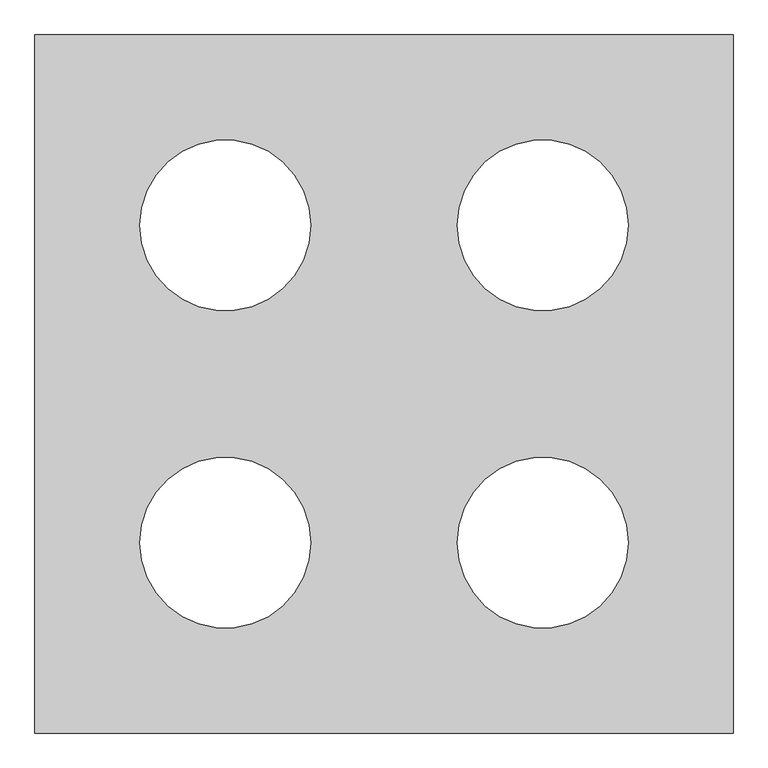
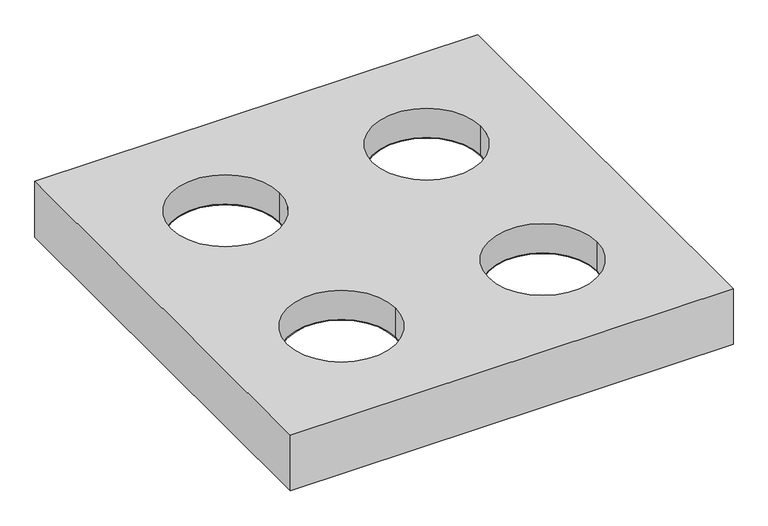
"""IFC4 building model written with IfcOpenShell, lengths in millimetres: proxy geometry."""

import ifcopenshell
import ifcopenshell.guid

model = None  # the IFC model being written
_history = None  # IfcOwnerHistory: only IFC2X3 demands one
_inside = {}  # id of a spatial element -> (the spatial element, [elements in it])
_under = {}  # id of a project, library or spatial element -> (it, [spatial elements below it])
_declared = {}  # id of a project -> (the project, [libraries it declares])
_typed = {}  # id of a type object -> (the type object, [elements of that type])
_made_of = {}  # id of a material, layer set ... -> (it, [elements and type objects made of it])


def new_model(schema):
    """Start an empty IFC model of exactly this schema.

    Asked for "IFC4X3", IfcOpenShell would pick the latest addendum, in which some entities
    have other attributes; the version numbers below select the first issue.
    IFC2X3 requires an IfcOwnerHistory on every rooted entity: one is made here for all.
    """
    global model, _history
    if schema == "IFC4X3":
        model = ifcopenshell.file(schema_version=(4, 3, 0, 0))
    else:
        model = ifcopenshell.file(schema=schema)
    _inside.clear()
    _under.clear()
    _declared.clear()
    _typed.clear()
    _made_of.clear()
    _history = None
    if model.schema == "IFC2X3":
        org = make("IfcOrganization", Name="unknown")
        user = make(
            "IfcPersonAndOrganization",
            ThePerson=make("IfcPerson", FamilyName="unknown"),
            TheOrganization=org,
        )
        app = make(
            "IfcApplication",
            ApplicationDeveloper=org,
            Version="unknown",
            ApplicationFullName="unknown",
            ApplicationIdentifier="unknown",
        )
        _history = make(
            "IfcOwnerHistory",
            OwningUser=user,
            OwningApplication=app,
            ChangeAction="ADDED",
            CreationDate=0,
        )
    return model


def make(cls, **values):
    """One entity of the class cls with the attributes given. An attribute that is None is left unset."""
    return model.create_entity(
        cls, **{name: value for name, value in values.items() if value is not None}
    )


def rooted(cls, **values):
    """An entity with a GlobalId (a new one), such as an element, a storey or a relation."""
    return make(cls, GlobalId=ifcopenshell.guid.new(), OwnerHistory=_history, **values)


def si_unit(unit_type, name, prefix=None):
    """IfcSIUnit, for example si_unit("LENGTHUNIT", "METRE", prefix="MILLI")."""
    return make("IfcSIUnit", UnitType=unit_type, Prefix=prefix, Name=name)


def assignment(units):
    """IfcUnitAssignment: the units of a project."""
    return None if units is None else make("IfcUnitAssignment", Units=units)


def point(xyz):
    """IfcCartesianPoint."""
    return None if xyz is None else make("IfcCartesianPoint", Coordinates=xyz)


def direction(xyz):
    """IfcDirection."""
    return None if xyz is None else make("IfcDirection", DirectionRatios=xyz)


def frame(location, z_axis=None, x_axis=None):
    """IfcAxis2Placement3D, a coordinate frame: its origin and axes. An axis left out is left unset."""
    return make(
        "IfcAxis2Placement3D",
        Location=point(location),
        Axis=direction(z_axis),
        RefDirection=direction(x_axis),
    )


def origin():
    """The frame at (0, 0, 0) with its axes left unset."""
    return frame((0.0, 0.0, 0.0))


def place(relative_to, where):
    """IfcLocalPlacement: puts the frame where relative to a parent placement (None: the world)."""
    return make(
        "IfcLocalPlacement", PlacementRelTo=relative_to, RelativePlacement=where
    )


def context(
    kind, dimensions, precision=None, world=None, true_north=None, identifier=None
):
    """IfcGeometricRepresentationContext, for example the 3D "Model" context."""
    return make(
        "IfcGeometricRepresentationContext",
        ContextIdentifier=identifier,
        ContextType=kind,
        CoordinateSpaceDimension=dimensions,
        Precision=precision,
        WorldCoordinateSystem=world,
        TrueNorth=true_north,
    )


def project(units=None, contexts=None):
    """IfcProject with its units and contexts."""
    return rooted(
        "IfcProject",
        Name="project",
        RepresentationContexts=contexts,
        UnitsInContext=assignment(units),
    )


def spatial(cls, under=None, at=None, **own):
    """A site, building, storey or space (cls), placed at a placement, below another one or the project."""
    s = rooted(cls, ObjectPlacement=at, **own)
    if under is not None:
        _under.setdefault(under.id(), (under, []))[1].append(s)
    return s


def polyline(points):
    """IfcPolyline through the points."""
    return make("IfcPolyline", Points=[point(p) for p in points])


def circle_curve(where, radius):
    """IfcCircle in the frame where."""
    return make("IfcCircle", Position=where, Radius=radius)


def shape(context_of_items, identifier, shape_type, items):
    """IfcShapeRepresentation: the items that make up one representation, for example the "Body"."""
    return make(
        "IfcShapeRepresentation",
        ContextOfItems=context_of_items,
        RepresentationIdentifier=identifier,
        RepresentationType=shape_type,
        Items=items,
    )


def source(mapping_origin, context_of_items, identifier, shape_type, items):
    """IfcRepresentationMap: a shape defined once, which mapped items show again and again."""
    return make(
        "IfcRepresentationMap",
        MappingOrigin=mapping_origin,
        MappedRepresentation=shape(context_of_items, identifier, shape_type, items),
    )


def transform(
    local_origin,
    x_axis=None,
    y_axis=None,
    z_axis=None,
    scale=None,
    scale2=None,
    scale3=None,
    uniform=True,
):
    """IfcCartesianTransformationOperator3D, or its non-uniform kind. x_axis, y_axis, z_axis: its Axis1, 2, 3."""
    if uniform:
        return make(
            "IfcCartesianTransformationOperator3D",
            Axis1=direction(x_axis),
            Axis2=direction(y_axis),
            LocalOrigin=point(local_origin),
            Scale=scale,
            Axis3=direction(z_axis),
        )
    return make(
        "IfcCartesianTransformationOperator3DnonUniform",
        Axis1=direction(x_axis),
        Axis2=direction(y_axis),
        LocalOrigin=point(local_origin),
        Scale=scale,
        Axis3=direction(z_axis),
        Scale2=scale2,
        Scale3=scale3,
    )


def mapped(mapping_source, mapping_target):
    """IfcMappedItem: shows the shape of a source again, moved by a transform."""
    return make(
        "IfcMappedItem", MappingSource=mapping_source, MappingTarget=mapping_target
    )


def made_of(thing, what):
    """Note that an element or type object is made of a material, layer set ...; save() writes the relation."""
    if what is not None:
        _made_of.setdefault(what.id(), (what, []))[1].append(thing)
    return thing


def element(
    cls,
    number,
    at=None,
    inside=None,
    cuts=None,
    type_object=None,
    material=None,
    context=None,
    identifier="Body",
    shape_type=None,
    held_by="IfcProductDefinitionShape",
    body=None,
    shapes=None,
    **own,
):
    """One element of the class cls, such as IfcWall. Its Tag is "e" and its number.

    at: its placement. inside: the storey or other place that contains it. cuts: it is an
    opening in that element (IfcRelVoidsElement). A single representation is given by context,
    identifier, shape_type and body (its items); several are given by shapes. held_by: the class
    of the entity that holds the representations. save() writes the other relations.
    """
    e = rooted(cls, Tag="e%d" % number, ObjectPlacement=at, **own)
    if body is not None:
        shapes = [shape(context, identifier, shape_type, body)]
    if shapes is not None:
        e.Representation = make(held_by, Representations=shapes)
    if inside is not None:
        _inside.setdefault(inside.id(), (inside, []))[1].append(e)
    if cuts is not None:
        rooted(
            "IfcRelVoidsElement", RelatingBuildingElement=cuts, RelatedOpeningElement=e
        )
    if type_object is not None:
        _typed.setdefault(type_object.id(), (type_object, []))[1].append(e)
    return made_of(e, material)


def aggregate(whole, parts):
    """IfcRelAggregates: a whole, such as a stair, and the parts it consists of."""
    return rooted("IfcRelAggregates", RelatingObject=whole, RelatedObjects=parts)


def save(model, path):
    """Write the relations noted so far, then the file.

    IfcRelAggregates (storeys below a building ...), IfcRelContainedInSpatialStructure (elements
    in a storey), IfcRelDefinesByType, IfcRelAssociatesMaterial and IfcRelDeclares: one each for
    every whole, place, type object, material and project.
    """
    for whole, parts in _under.values():
        aggregate(whole, parts)
    for where, things in _inside.values():
        rooted(
            "IfcRelContainedInSpatialStructure",
            RelatedElements=things,
            RelatingStructure=where,
        )
    for kind, things in _typed.values():
        rooted("IfcRelDefinesByType", RelatedObjects=things, RelatingType=kind)
    for what, things in _made_of.values():
        rooted("IfcRelAssociatesMaterial", RelatedObjects=things, RelatingMaterial=what)
    for by, libraries in _declared.values():
        rooted("IfcRelDeclares", RelatingContext=by, RelatedDefinitions=libraries)
    model.write(path)


def plane_surface(at):
    """IfcPlane: the flat surface through the origin of the frame at, square to its z axis."""
    return make("IfcPlane", Position=at)


def revolved_surface(curve, axis_point, axis_direction):
    """IfcSurfaceOfRevolution: the curve turned about the line through axis_point along axis_direction."""
    return make(
        "IfcSurfaceOfRevolution",
        SweptCurve=make("IfcArbitraryOpenProfileDef", ProfileType="CURVE", Curve=curve),
        AxisPosition=make("IfcAxis1Placement", Location=point(axis_point), Axis=direction(axis_direction)),
    )


def advanced_brep(points, edges, surfaces, faces):
    """IfcAdvancedBrep: a solid bounded by faces that lie on surfaces and meet in shared edges.

    An edge is (start, end): straight between two places in points (the first is 0);
    or (start, end, curve); or (start, end, curve, False) where it runs against its curve.
    A face is (place in surfaces, loops), or (place, loops, False) where it looks against
    its surface's normal. A loop lists edges by number (the first is 1), with a minus sign
    where the edge is run from its end to its start. The first loop is the outer one.
    """
    corners = [point(p) for p in points]
    vertices = [make("IfcVertexPoint", VertexGeometry=c) for c in corners]
    made = []
    for start, end, *more in edges:
        made.append(
            make(
                "IfcEdgeCurve",
                EdgeStart=vertices[start],
                EdgeEnd=vertices[end],
                EdgeGeometry=more[0] if more else make("IfcPolyline", Points=[corners[start], corners[end]]),
                SameSense=more[1] if len(more) > 1 else True,
            )
        )
    hull = []
    for where, loops, *sense in faces:
        bounds = []
        for j, loop in enumerate(loops):
            ring = [make("IfcOrientedEdge", EdgeElement=made[abs(k) - 1], Orientation=k > 0) for k in loop]
            bounds.append(
                make(
                    "IfcFaceOuterBound" if j == 0 else "IfcFaceBound",
                    Bound=make("IfcEdgeLoop", EdgeList=ring),
                    Orientation=True,
                )
            )
        hull.append(make("IfcAdvancedFace", Bounds=bounds, FaceSurface=surfaces[where], SameSense=sense[0] if sense else True))
    return make("IfcAdvancedBrep", Outer=make("IfcClosedShell", CfsFaces=hull))


def generic_models_8804d96c(model_context):
    return source(origin(), model_context, "Body", "AdvancedBrep", [
        advanced_brep(
        [(1300.0, 1300.0, 180.0), (-1300.0, 1300.0, 180.0), (-1300.0, -1300.0, 180.0), (1300.0, -1300.0, 180.0), (-300.0, 650.0, 180.0), (-1000.0, 650.0, 180.0), (1000.0, 650.0, 180.0), (300.0, 650.0, 180.0), (1000.0, -650.0, 180.0), (300.0, -650.0, 180.0), (-300.0, -650.0, 180.0), (-1000.0, -650.0, 180.0), (1296.0, 1296.0, 176.0), (1296.0, -1296.0, 176.0), (-1296.0, -1296.0, 176.0), (-1296.0, 1296.0, 176.0), (-1000.0, 650.0, 176.0), (-300.0, 650.0, 176.0), (300.0, 650.0, 176.0), (1000.0, 650.0, 176.0), (300.0, -650.0, 176.0), (1000.0, -650.0, 176.0), (-1000.0, -650.0, 176.0), (-300.0, -650.0, 176.0), (1300.0, 1300.0, 0.0), (-1300.0, 1300.0, 0.0), (-1300.0, -1300.0, 0.0), (1300.0, -1300.0, 0.0), (1296.0, 1296.0, 0.0), (-1296.0, 1296.0, 0.0), (-1296.0, -1296.0, 0.0), (1296.0, -1296.0, 0.0)],
        [
            (0, 1),
            (1, 2),
            (2, 3),
            (3, 0),
            (4, 5, circle_curve(frame((-650.0, 650.0, 180.0), z_axis=(0.0, 0.0, -1.0), x_axis=(1.0, 0.0, 0.0)), 350.0)),
            (5, 4, circle_curve(frame((-650.0, 650.0, 180.0), z_axis=(0.0, 0.0, -1.0), x_axis=(1.0, 0.0, 0.0)), 350.0)),
            (6, 7, circle_curve(frame((650.0, 650.0, 180.0), z_axis=(0.0, 0.0, -1.0), x_axis=(1.0, 0.0, 0.0)), 350.0)),
            (7, 6, circle_curve(frame((650.0, 650.0, 180.0), z_axis=(0.0, 0.0, -1.0), x_axis=(1.0, 0.0, 0.0)), 350.0)),
            (8, 9, circle_curve(frame((650.0, -650.0, 180.0), z_axis=(0.0, 0.0, -1.0), x_axis=(1.0, 0.0, 0.0)), 350.0)),
            (9, 8, circle_curve(frame((650.0, -650.0, 180.0), z_axis=(0.0, 0.0, -1.0), x_axis=(1.0, 0.0, 0.0)), 350.0)),
            (10, 11, circle_curve(frame((-650.0, -650.0, 180.0), z_axis=(0.0, 0.0, -1.0), x_axis=(1.0, 0.0, 0.0)), 350.0)),
            (11, 10, circle_curve(frame((-650.0, -650.0, 180.0), z_axis=(0.0, 0.0, -1.0), x_axis=(1.0, 0.0, 0.0)), 350.0)),
            (12, 13),
            (13, 14),
            (14, 15),
            (15, 12),
            (16, 17, circle_curve(frame((-650.0, 650.0, 176.0), z_axis=(0.0, 0.0, 1.0), x_axis=(1.0, 0.0, 0.0)), 350.0)),
            (17, 16, circle_curve(frame((-650.0, 650.0, 176.0), z_axis=(0.0, 0.0, 1.0), x_axis=(1.0, 0.0, 0.0)), 350.0)),
            (18, 19, circle_curve(frame((650.0, 650.0, 176.0), z_axis=(0.0, 0.0, 1.0), x_axis=(1.0, 0.0, 0.0)), 350.0)),
            (19, 18, circle_curve(frame((650.0, 650.0, 176.0), z_axis=(0.0, 0.0, 1.0), x_axis=(1.0, 0.0, 0.0)), 350.0)),
            (20, 21, circle_curve(frame((650.0, -650.0, 176.0), z_axis=(0.0, 0.0, 1.0), x_axis=(1.0, 0.0, 0.0)), 350.0)),
            (21, 20, circle_curve(frame((650.0, -650.0, 176.0), z_axis=(0.0, 0.0, 1.0), x_axis=(1.0, 0.0, 0.0)), 350.0)),
            (22, 23, circle_curve(frame((-650.0, -650.0, 176.0), z_axis=(0.0, 0.0, 1.0), x_axis=(1.0, 0.0, 0.0)), 350.0)),
            (23, 22, circle_curve(frame((-650.0, -650.0, 176.0), z_axis=(0.0, 0.0, 1.0), x_axis=(1.0, 0.0, 0.0)), 350.0)),
            (0, 24),
            (24, 25),
            (25, 1),
            (25, 26),
            (26, 2),
            (26, 27),
            (27, 3),
            (27, 24),
            (28, 29),
            (29, 30),
            (30, 31),
            (31, 28),
            (31, 13),
            (12, 28),
            (30, 14),
            (29, 15),
            (16, 5),
            (4, 17),
            (18, 7),
            (6, 19),
            (20, 9),
            (8, 21),
            (22, 11),
            (10, 23),
        ],
        [
            plane_surface(frame((-1300.0, 1300.0, 180.0), z_axis=(0.0, 0.0, 1.0), x_axis=(-1.0, 0.0, 0.0))),
            plane_surface(frame((-1300.0, 1300.0, 176.0), z_axis=(0.0, 0.0, -1.0), x_axis=(1.0, 0.0, 0.0))),
            plane_surface(frame((1300.0, 1300.0, 180.0), z_axis=(0.0, 1.0, 0.0), x_axis=(0.0, 0.0, -1.0))),
            plane_surface(frame((-1300.0, 1300.0, 180.0), z_axis=(-1.0, 0.0, 0.0), x_axis=(0.0, 0.0, -1.0))),
            plane_surface(frame((-1300.0, -1300.0, 180.0), z_axis=(0.0, -1.0, 0.0), x_axis=(0.0, 0.0, -1.0))),
            plane_surface(frame((1300.0, -1300.0, 180.0), z_axis=(1.0, 0.0, 0.0), x_axis=(0.0, 0.0, -1.0))),
            plane_surface(frame((1296.0, 1296.0, 0.0), z_axis=(0.0, 0.0, -1.0), x_axis=(0.0, 1.0, 0.0))),
            plane_surface(frame((1296.0, 1296.0, 180.0), z_axis=(-1.0, 0.0, 0.0), x_axis=(0.0, 0.0, -1.0))),
            plane_surface(frame((1296.0, -1296.0, 180.0), z_axis=(0.0, 1.0, 0.0), x_axis=(0.0, 0.0, -1.0))),
            plane_surface(frame((-1296.0, -1296.0, 180.0), z_axis=(1.0, 0.0, 0.0), x_axis=(0.0, 0.0, -1.0))),
            plane_surface(frame((-1296.0, 1296.0, 180.0), z_axis=(0.0, -1.0, 0.0), x_axis=(0.0, 0.0, -1.0))),
            revolved_surface(polyline([(-300.0, 650.0, 180.0), (-300.0, 650.0, 176.0)]), (-650.0, 650.0, 176.0), (0.0, 0.0, 1.0)),
            revolved_surface(polyline([(1000.0, 650.0, 180.0), (1000.0, 650.0, 176.0)]), (650.0, 650.0, 0.0), (0.0, 0.0, 1.0)),
            revolved_surface(polyline([(1000.0, -650.0, 180.0), (1000.0, -650.0, 176.0)]), (650.0, -650.0, 0.0), (0.0, 0.0, 1.0)),
            revolved_surface(polyline([(-300.0, -650.0, 180.0), (-300.0, -650.0, 176.0)]), (-650.0, -650.0, 0.0), (0.0, 0.0, 1.0)),
        ],
        [
            (0, [[1, 2, 3, 4], [5, 6], [7, 8], [9, 10], [11, 12]]),
            (1, [[13, 14, 15, 16], [17, 18], [19, 20], [21, 22], [23, 24]]),
            (2, [[-1, 25, 26, 27]]),
            (3, [[-2, -27, 28, 29]]),
            (4, [[-3, -29, 30, 31]]),
            (5, [[-4, -31, 32, -25]]),
            (6, [[-32, -30, -28, -26], [33, 34, 35, 36]]),
            (7, [[-36, 37, -13, 38]]),
            (8, [[-35, 39, -14, -37]]),
            (9, [[-34, 40, -15, -39]]),
            (10, [[-33, -38, -16, -40]]),
            (11, [[41, -5, 42, -17]]),
            (11, [[-41, -18, -42, -6]]),
            (12, [[43, -7, 44, -19]]),
            (12, [[-43, -20, -44, -8]]),
            (13, [[45, -9, 46, -21]]),
            (13, [[-45, -22, -46, -10]]),
            (14, [[47, -11, 48, -23]]),
            (14, [[-47, -24, -48, -12]]),
        ],
    ),
        advanced_brep(
        [(1430.0, 1430.0, 380.0), (-1430.0, 1430.0, 380.0), (-1430.0, -1430.0, 380.0), (1430.0, -1430.0, 380.0), (-300.0, 650.0, 380.0), (-1000.0, 650.0, 380.0), (1000.0, 650.0, 380.0), (300.0, 650.0, 380.0), (1000.0, -650.0, 380.0), (300.0, -650.0, 380.0), (-300.0, -650.0, 380.0), (-1000.0, -650.0, 380.0), (1430.0, 1430.0, 0.0), (1430.0, -1430.0, 0.0), (-1430.0, -1430.0, 0.0), (-1430.0, 1430.0, 0.0), (1300.0, 1300.0, 0.0), (-1300.0, 1300.0, 0.0), (-1300.0, -1300.0, 0.0), (1300.0, -1300.0, 0.0), (1300.0, 1300.0, 180.0), (1300.0, -1300.0, 180.0), (-1300.0, -1300.0, 180.0), (-1300.0, 1300.0, 180.0), (-1000.0, 650.0, 180.0), (-300.0, 650.0, 180.0), (300.0, 650.0, 180.0), (1000.0, 650.0, 180.0), (300.0, -650.0, 180.0), (1000.0, -650.0, 180.0), (-1000.0, -650.0, 180.0), (-300.0, -650.0, 180.0)],
        [
            (0, 1),
            (1, 2),
            (2, 3),
            (3, 0),
            (4, 5, circle_curve(frame((-650.0, 650.0, 380.0), z_axis=(0.0, 0.0, -1.0), x_axis=(1.0, 0.0, 0.0)), 350.0)),
            (5, 4, circle_curve(frame((-650.0, 650.0, 380.0), z_axis=(0.0, 0.0, -1.0), x_axis=(1.0, 0.0, 0.0)), 350.0)),
            (6, 7, circle_curve(frame((650.0, 650.0, 380.0), z_axis=(0.0, 0.0, -1.0), x_axis=(1.0, 0.0, 0.0)), 350.0)),
            (7, 6, circle_curve(frame((650.0, 650.0, 380.0), z_axis=(0.0, 0.0, -1.0), x_axis=(1.0, 0.0, 0.0)), 350.0)),
            (8, 9, circle_curve(frame((650.0, -650.0, 380.0), z_axis=(0.0, 0.0, -1.0), x_axis=(1.0, 0.0, 0.0)), 350.0)),
            (9, 8, circle_curve(frame((650.0, -650.0, 380.0), z_axis=(0.0, 0.0, -1.0), x_axis=(1.0, 0.0, 0.0)), 350.0)),
            (10, 11, circle_curve(frame((-650.0, -650.0, 380.0), z_axis=(0.0, 0.0, -1.0), x_axis=(1.0, 0.0, 0.0)), 350.0)),
            (11, 10, circle_curve(frame((-650.0, -650.0, 380.0), z_axis=(0.0, 0.0, -1.0), x_axis=(1.0, 0.0, 0.0)), 350.0)),
            (12, 13),
            (13, 14),
            (14, 15),
            (15, 12),
            (16, 17),
            (17, 18),
            (18, 19),
            (19, 16),
            (0, 12),
            (15, 1),
            (14, 2),
            (13, 3),
            (20, 21),
            (21, 22),
            (22, 23),
            (23, 20),
            (24, 25, circle_curve(frame((-650.0, 650.0, 180.0), z_axis=(0.0, 0.0, 1.0), x_axis=(1.0, 0.0, 0.0)), 350.0)),
            (25, 24, circle_curve(frame((-650.0, 650.0, 180.0), z_axis=(0.0, 0.0, 1.0), x_axis=(1.0, 0.0, 0.0)), 350.0)),
            (26, 27, circle_curve(frame((650.0, 650.0, 180.0), z_axis=(0.0, 0.0, 1.0), x_axis=(1.0, 0.0, 0.0)), 350.0)),
            (27, 26, circle_curve(frame((650.0, 650.0, 180.0), z_axis=(0.0, 0.0, 1.0), x_axis=(1.0, 0.0, 0.0)), 350.0)),
            (28, 29, circle_curve(frame((650.0, -650.0, 180.0), z_axis=(0.0, 0.0, 1.0), x_axis=(1.0, 0.0, 0.0)), 350.0)),
            (29, 28, circle_curve(frame((650.0, -650.0, 180.0), z_axis=(0.0, 0.0, 1.0), x_axis=(1.0, 0.0, 0.0)), 350.0)),
            (30, 31, circle_curve(frame((-650.0, -650.0, 180.0), z_axis=(0.0, 0.0, 1.0), x_axis=(1.0, 0.0, 0.0)), 350.0)),
            (31, 30, circle_curve(frame((-650.0, -650.0, 180.0), z_axis=(0.0, 0.0, 1.0), x_axis=(1.0, 0.0, 0.0)), 350.0)),
            (23, 17),
            (16, 20),
            (22, 18),
            (21, 19),
            (24, 5),
            (4, 25),
            (26, 7),
            (6, 27),
            (28, 9),
            (8, 29),
            (30, 11),
            (10, 31),
        ],
        [
            plane_surface(frame((-1430.0, 1430.0, 380.0), z_axis=(0.0, 0.0, 1.0), x_axis=(-1.0, 0.0, 0.0))),
            plane_surface(frame((-1430.0, 1430.0, 0.0), z_axis=(0.0, 0.0, -1.0), x_axis=(1.0, 0.0, 0.0))),
            plane_surface(frame((1430.0, 1430.0, 380.0), z_axis=(0.0, 1.0, 0.0), x_axis=(0.0, 0.0, -1.0))),
            plane_surface(frame((-1430.0, 1430.0, 380.0), z_axis=(-1.0, 0.0, 0.0), x_axis=(0.0, 0.0, -1.0))),
            plane_surface(frame((-1430.0, -1430.0, 380.0), z_axis=(0.0, -1.0, 0.0), x_axis=(0.0, 0.0, -1.0))),
            plane_surface(frame((1430.0, -1430.0, 380.0), z_axis=(1.0, 0.0, 0.0), x_axis=(0.0, 0.0, -1.0))),
            plane_surface(frame((-1300.0, 1300.0, 180.0), z_axis=(0.0, 0.0, -1.0), x_axis=(-1.0, 0.0, 0.0))),
            plane_surface(frame((1300.0, 1300.0, 180.0), z_axis=(0.0, -1.0, 0.0), x_axis=(0.0, 0.0, -1.0))),
            plane_surface(frame((-1300.0, 1300.0, 180.0), z_axis=(1.0, 0.0, 0.0), x_axis=(0.0, 0.0, -1.0))),
            plane_surface(frame((-1300.0, -1300.0, 180.0), z_axis=(0.0, 1.0, 0.0), x_axis=(0.0, 0.0, -1.0))),
            plane_surface(frame((1300.0, -1300.0, 180.0), z_axis=(-1.0, 0.0, 0.0), x_axis=(0.0, 0.0, -1.0))),
            revolved_surface(polyline([(-300.0, 650.0, 380.0), (-300.0, 650.0, 180.0)]), (-650.0, 650.0, 176.0), (0.0, 0.0, 1.0)),
            revolved_surface(polyline([(1000.0, 650.0, 380.0), (1000.0, 650.0, 180.0)]), (650.0, 650.0, 0.0), (0.0, 0.0, 1.0)),
            revolved_surface(polyline([(1000.0, -650.0, 380.0), (1000.0, -650.0, 180.0)]), (650.0, -650.0, 0.0), (0.0, 0.0, 1.0)),
            revolved_surface(polyline([(-300.0, -650.0, 380.0), (-300.0, -650.0, 180.0)]), (-650.0, -650.0, 0.0), (0.0, 0.0, 1.0)),
        ],
        [
            (0, [[1, 2, 3, 4], [5, 6], [7, 8], [9, 10], [11, 12]]),
            (1, [[13, 14, 15, 16], [17, 18, 19, 20]]),
            (2, [[-1, 21, -16, 22]]),
            (3, [[-2, -22, -15, 23]]),
            (4, [[-3, -23, -14, 24]]),
            (5, [[-4, -24, -13, -21]]),
            (6, [[25, 26, 27, 28], [29, 30], [31, 32], [33, 34], [35, 36]]),
            (7, [[-28, 37, -17, 38]]),
            (8, [[-27, 39, -18, -37]]),
            (9, [[-26, 40, -19, -39]]),
            (10, [[-25, -38, -20, -40]]),
            (11, [[41, -5, 42, -29]]),
            (11, [[-41, -30, -42, -6]]),
            (12, [[43, -7, 44, -31]]),
            (12, [[-43, -32, -44, -8]]),
            (13, [[45, -9, 46, -33]]),
            (13, [[-45, -34, -46, -10]]),
            (14, [[47, -11, 48, -35]]),
            (14, [[-47, -36, -48, -12]]),
        ],
    ),
    ])


if __name__ == "__main__":
    model = new_model("IFC4")
    model_context = context("Model", 3, world=origin())
    ifc_project = project(units=[si_unit("LENGTHUNIT", "METRE", prefix="MILLI")], contexts=[model_context])
    site = spatial("IfcSite", under=ifc_project)
    building = spatial("IfcBuilding", under=site)
    placement = place(None, origin())
    generic_models_shape = generic_models_8804d96c(model_context)
    element("IfcBuildingElementProxy", 1, Name="Generic Models", at=placement, inside=building, context=model_context, shape_type="MappedRepresentation", body=[
        mapped(generic_models_shape, transform((0.0, 0.0, 0.0), x_axis=(1.0, 0.0, 0.0), y_axis=(0.0, 1.0, 0.0), z_axis=(0.0, 0.0, 1.0))),
    ])
    save(model, "model.ifc")
